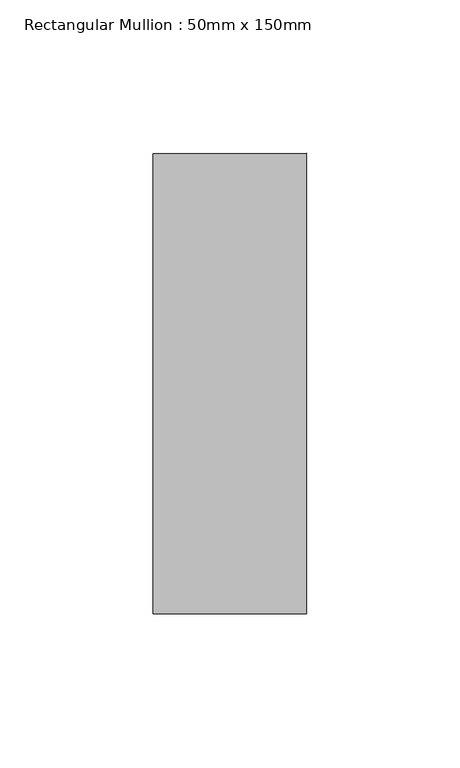
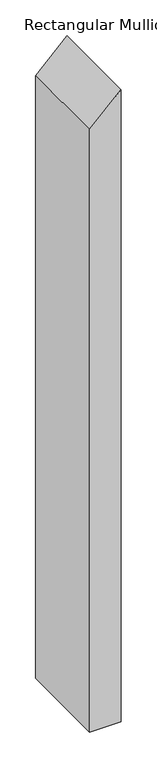
"""IFC4 building model written with IfcOpenShell, lengths in millimetres: member geometry, Rectangular Mullion : 50mm x 150mm."""

from ifc_helpers import new_model, si_unit, frame, origin, place, context, project, spatial, polyline, outline, extrude, source, transform, mapped, element, save


def rectangular_mullion_50mm_x_150mm_de57e571(model_context):
    return source(origin(), model_context, "Body", "SweptSolid", [
        extrude(outline(polyline([(0.0, 0.0), (-50.0, -50.0), (-1071.6460895, -50.0), (-1071.6460895, 0.0), (0.0, 0.0)])), frame((0.0, -75.0, 0.0), z_axis=(0.0, 1.0, 0.0), x_axis=(0.0, 0.0, 1.0)), (0.0, 0.0, 1.0), 150.0),
    ])


if __name__ == "__main__":
    model = new_model("IFC4")
    model_context = context("Model", 3, world=origin())
    ifc_project = project(units=[si_unit("LENGTHUNIT", "METRE", prefix="MILLI")], contexts=[model_context])
    site = spatial("IfcSite", under=ifc_project)
    building = spatial("IfcBuilding", under=site)
    placement = place(None, origin())
    rectangular_mullion_50mm_x_150mm_shape = rectangular_mullion_50mm_x_150mm_de57e571(model_context)
    element("IfcMember", 1, ObjectType="Rectangular Mullion : 50mm x 150mm", at=placement, inside=building, context=model_context, shape_type="MappedRepresentation", body=[
        mapped(rectangular_mullion_50mm_x_150mm_shape, transform((0.0, 0.0, 0.0), x_axis=(1.0, 0.0, 0.0), y_axis=(0.0, 1.0, 0.0), z_axis=(0.0, 0.0, 1.0))),
    ])
    save(model, "model.ifc")
